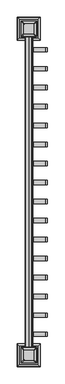
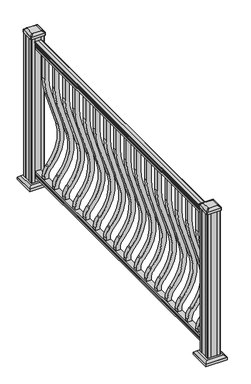
"""IFC4 building model written with IfcOpenShell, lengths in millimetres: railing geometry."""

from ifc_helpers import new_model, si_unit, point, frame, frame_2d, origin, origin_with_axes, place, context, project, spatial, polyline, circle_curve, trimmed, segment, composite_curve, outline, extrude, faceted_brep, source, transform, mapped, element, save
from ifc_brep_helpers import plane_surface, extruded_surface, advanced_brep


def railing_27f725b7(model_context):
    return source(origin(), model_context, "Body", "SolidModel", [
        extrude(outline(composite_curve([segment(polyline([(938.4043297, -401.8210301), (940.292412, -401.8210301)]), True, "CONTINUOUS"), segment(trimmed(circle_curve(frame_2d((946.0506383, -408.1357833)), 8.545951), [point((940.292412, -401.8210301))], [point((941.8546695, -400.6908438))], False, "CARTESIAN"), True, "CONTINUOUS"), segment(trimmed(circle_curve(frame_2d((945.4636577, -407.6987204)), 7.882584), [point((941.8546695, -400.6908438))], [point((949.0726458, -400.6908438))], False, "CARTESIAN"), True, "CONTINUOUS"), segment(trimmed(circle_curve(frame_2d((951.3112527, -397.1853963)), 4.1592695), [point((949.0726458, -400.6908438))], [point((951.5060812, -401.3401002))], True, "CARTESIAN"), True, "CONTINUOUS"), segment(trimmed(circle_curve(frame_2d((951.2508864, -395.8980897)), 5.4479907), [point((951.5060812, -401.3401002))], [point((955.8362083, -398.8401002))], True, "CARTESIAN"), True, "CONTINUOUS"), segment(trimmed(circle_curve(frame_2d((955.833395, -397.1312481)), 1.7088543), [point((955.8362083, -398.8401002))], [point((957.5157972, -397.4307577))], True, "CARTESIAN"), True, "CONTINUOUS"), segment(trimmed(circle_curve(frame_2d((958.6205318, -398.7481482)), 1.7192895), [point((957.5157972, -397.4307577))], [point((958.6205318, -397.0288587))], False, "CARTESIAN"), True, "CONTINUOUS"), segment(polyline([(958.6205318, -397.0288587), (959.9608158, -397.0288588)]), True, "CONTINUOUS"), segment(trimmed(circle_curve(frame_2d((959.9608158, -398.582306)), 1.5534472), [point((959.9608158, -397.0288588))], [point((961.514263, -398.582306))], False, "CARTESIAN"), True, "CONTINUOUS"), segment(polyline([(961.514263, -398.582306), (961.514263, -419.2538588), (961.514263, -439.9254116)]), True, "CONTINUOUS"), segment(trimmed(circle_curve(frame_2d((959.9608158, -439.9254116)), 1.5534472), [point((961.514263, -439.9254116))], [point((959.9608158, -441.4788588))], False, "CARTESIAN"), True, "CONTINUOUS"), segment(polyline([(959.9608158, -441.4788588), (958.6205318, -441.4788588)]), True, "CONTINUOUS"), segment(trimmed(circle_curve(frame_2d((958.6205318, -439.7595694)), 1.7192895), [point((958.6205318, -441.4788588))], [point((957.5157972, -441.0769599))], False, "CARTESIAN"), True, "CONTINUOUS"), segment(trimmed(circle_curve(frame_2d((955.833395, -441.3764695)), 1.7088543), [point((957.5157972, -441.0769599))], [point((955.8362083, -439.6676174))], True, "CARTESIAN"), True, "CONTINUOUS"), segment(trimmed(circle_curve(frame_2d((951.2508864, -442.6096279)), 5.4479907), [point((955.8362083, -439.6676174))], [point((951.5060812, -437.1676174))], True, "CARTESIAN"), True, "CONTINUOUS"), segment(trimmed(circle_curve(frame_2d((951.3112527, -441.3223214)), 4.1592695), [point((951.5060812, -437.1676174))], [point((949.0726458, -437.8168738))], True, "CARTESIAN"), True, "CONTINUOUS"), segment(trimmed(circle_curve(frame_2d((945.4636577, -430.8089972)), 7.882584), [point((949.0726458, -437.8168738))], [point((941.8546695, -437.8168738))], False, "CARTESIAN"), True, "CONTINUOUS"), segment(trimmed(circle_curve(frame_2d((946.0506383, -430.3719343)), 8.545951), [point((941.8546695, -437.8168738))], [point((940.292412, -436.6866875))], False, "CARTESIAN"), True, "CONTINUOUS"), segment(polyline([(940.292412, -436.6866875), (938.4043297, -436.6866875)]), True, "CONTINUOUS"), segment(trimmed(circle_curve(frame_2d((938.4043297, -435.3997732)), 1.2869144), [point((938.4043297, -436.6866875))], [point((938.4043297, -434.1128588))], False, "CARTESIAN"), True, "CONTINUOUS"), segment(polyline([(938.4043297, -434.1128588), (927.9048283, -434.1128588), (926.8888283, -435.1288588), (914.4, -435.1288588), (914.4, -403.3788588), (926.731013, -403.3788588), (927.747013, -404.3948588), (938.4043297, -404.3948588)]), True, "CONTINUOUS"), segment(trimmed(circle_curve(frame_2d((938.4043297, -403.1079444)), 1.2869144), [point((938.4043297, -404.3948588))], [point((938.4043297, -401.8210301))], False, "CARTESIAN"), True, "CONTINUOUS")], self_intersect=False)), frame((0.0, -43354.2786705, 0.0), z_axis=(0.0, 1.0, 0.0), x_axis=(0.0, 0.0, 1.0)), (0.0, 0.0, 1.0), 1828.8),
        extrude(outline(polyline([(76.0541976, -403.3413719), (77.3546183, -404.3573719), (87.7141717, -404.3573719), (89.0624492, -403.3413719), (101.5958781, -403.3413719), (101.5958781, -435.0913719), (89.0458024, -435.0913719), (87.6975248, -434.0753719), (77.3858283, -434.0753719), (76.0375508, -435.0913719), (63.5, -435.0913719), (63.5, -403.3413719), (76.0541976, -403.3413719)])), frame((0.0, -43354.2786705, 0.0), z_axis=(0.0, 1.0, 0.0), x_axis=(0.0, 0.0, 1.0)), (0.0, 0.0, 1.0), 1828.8),
        extrude(outline(composite_curve([segment(polyline([(768.63216, -406.5538588), (914.4, -406.5538588), (914.4, -431.9538588), (768.63216, -431.9538588)]), True, "CONTINUOUS"), segment(trimmed(circle_curve(frame_2d((768.63216, -59.2538588)), 372.7), [point((768.63216, -431.9538588))], [point((659.6652257, -415.6686413))], False, "CARTESIAN"), True, "CONTINUOUS"), segment(polyline([(659.6652257, -415.6686413), (437.8121964, -347.8413635)]), True, "CONTINUOUS"), segment(trimmed(circle_curve(frame_2d((359.6612397, -603.4616248)), 267.3), [point((437.8121964, -347.8413635))], [point((181.5522516, -404.146602))], True, "CARTESIAN"), True, "CONTINUOUS"), segment(polyline([(181.5522516, -404.146602), (175.3955374, -409.6482752)]), True, "CONTINUOUS"), segment(trimmed(circle_curve(frame_2d((116.9587313, -344.2538588)), 87.7), [point((175.3955374, -409.6482752))], [point((116.9587313, -431.9538588))], False, "CARTESIAN"), True, "CONTINUOUS"), segment(polyline([(116.9587313, -431.9538588), (101.5958781, -431.9538588), (101.5958781, -406.5538588), (116.9587313, -406.5538588)]), True, "CONTINUOUS"), segment(trimmed(circle_curve(frame_2d((116.9587313, -344.2538588)), 62.3), [point((116.9587313, -406.5538588))], [point((158.4708524, -390.7085012))], True, "CARTESIAN"), True, "CONTINUOUS"), segment(polyline([(158.4708524, -390.7085012), (164.6275666, -385.206828)]), True, "CONTINUOUS"), segment(trimmed(circle_curve(frame_2d((359.6612397, -603.4616248)), 292.7), [point((164.6275666, -385.206828))], [point((445.2384377, -323.5512227))], False, "CARTESIAN"), True, "CONTINUOUS"), segment(polyline([(445.2384377, -323.5512227), (667.091467, -391.3785005)]), True, "CONTINUOUS"), segment(trimmed(circle_curve(frame_2d((768.63216, -59.2538588)), 347.3), [point((667.091467, -391.3785005))], [point((768.63216, -406.5538588))], True, "CARTESIAN"), True, "CONTINUOUS")], self_intersect=False)), frame((0.0, -41619.1411705, 0.0), z_axis=(0.0, 1.0, 0.0), x_axis=(0.0, 0.0, 1.0)), (0.0, 0.0, 1.0), 25.4),
        extrude(outline(composite_curve([segment(polyline([(768.63216, -406.5538588), (914.4, -406.5538588), (914.4, -431.9538588), (768.63216, -431.9538588)]), True, "CONTINUOUS"), segment(trimmed(circle_curve(frame_2d((768.63216, -59.2538588)), 372.7), [point((768.63216, -431.9538588))], [point((659.6652257, -415.6686413))], False, "CARTESIAN"), True, "CONTINUOUS"), segment(polyline([(659.6652257, -415.6686413), (437.8121964, -347.8413635)]), True, "CONTINUOUS"), segment(trimmed(circle_curve(frame_2d((359.6612397, -603.4616248)), 267.3), [point((437.8121964, -347.8413635))], [point((181.5522516, -404.146602))], True, "CARTESIAN"), True, "CONTINUOUS"), segment(polyline([(181.5522516, -404.146602), (175.3955374, -409.6482752)]), True, "CONTINUOUS"), segment(trimmed(circle_curve(frame_2d((116.9587313, -344.2538588)), 87.7), [point((175.3955374, -409.6482752))], [point((116.9587313, -431.9538588))], False, "CARTESIAN"), True, "CONTINUOUS"), segment(polyline([(116.9587313, -431.9538588), (101.5958781, -431.9538588), (101.5958781, -406.5538588), (116.9587313, -406.5538588)]), True, "CONTINUOUS"), segment(trimmed(circle_curve(frame_2d((116.9587313, -344.2538588)), 62.3), [point((116.9587313, -406.5538588))], [point((158.4708524, -390.7085012))], True, "CARTESIAN"), True, "CONTINUOUS"), segment(polyline([(158.4708524, -390.7085012), (164.6275666, -385.206828)]), True, "CONTINUOUS"), segment(trimmed(circle_curve(frame_2d((359.6612397, -603.4616248)), 292.7), [point((164.6275666, -385.206828))], [point((445.2384377, -323.5512227))], False, "CARTESIAN"), True, "CONTINUOUS"), segment(polyline([(445.2384377, -323.5512227), (667.091467, -391.3785005)]), True, "CONTINUOUS"), segment(trimmed(circle_curve(frame_2d((768.63216, -59.2538588)), 347.3), [point((667.091467, -391.3785005))], [point((768.63216, -406.5538588))], True, "CARTESIAN"), True, "CONTINUOUS")], self_intersect=False)), frame((0.0, -41730.2661705, 0.0), z_axis=(0.0, 1.0, 0.0), x_axis=(0.0, 0.0, 1.0)), (0.0, 0.0, 1.0), 25.4),
        extrude(outline(composite_curve([segment(polyline([(768.63216, -406.5538588), (914.4, -406.5538588), (914.4, -431.9538588), (768.63216, -431.9538588)]), True, "CONTINUOUS"), segment(trimmed(circle_curve(frame_2d((768.63216, -59.2538588)), 372.7), [point((768.63216, -431.9538588))], [point((659.6652257, -415.6686413))], False, "CARTESIAN"), True, "CONTINUOUS"), segment(polyline([(659.6652257, -415.6686413), (437.8121964, -347.8413635)]), True, "CONTINUOUS"), segment(trimmed(circle_curve(frame_2d((359.6612397, -603.4616248)), 267.3), [point((437.8121964, -347.8413635))], [point((181.5522516, -404.146602))], True, "CARTESIAN"), True, "CONTINUOUS"), segment(polyline([(181.5522516, -404.146602), (175.3955374, -409.6482752)]), True, "CONTINUOUS"), segment(trimmed(circle_curve(frame_2d((116.9587313, -344.2538588)), 87.7), [point((175.3955374, -409.6482752))], [point((116.9587313, -431.9538588))], False, "CARTESIAN"), True, "CONTINUOUS"), segment(polyline([(116.9587313, -431.9538588), (101.5958781, -431.9538588), (101.5958781, -406.5538588), (116.9587313, -406.5538588)]), True, "CONTINUOUS"), segment(trimmed(circle_curve(frame_2d((116.9587313, -344.2538588)), 62.3), [point((116.9587313, -406.5538588))], [point((158.4708524, -390.7085012))], True, "CARTESIAN"), True, "CONTINUOUS"), segment(polyline([(158.4708524, -390.7085012), (164.6275666, -385.206828)]), True, "CONTINUOUS"), segment(trimmed(circle_curve(frame_2d((359.6612397, -603.4616248)), 292.7), [point((164.6275666, -385.206828))], [point((445.2384377, -323.5512227))], False, "CARTESIAN"), True, "CONTINUOUS"), segment(polyline([(445.2384377, -323.5512227), (667.091467, -391.3785005)]), True, "CONTINUOUS"), segment(trimmed(circle_curve(frame_2d((768.63216, -59.2538588)), 347.3), [point((667.091467, -391.3785005))], [point((768.63216, -406.5538588))], True, "CARTESIAN"), True, "CONTINUOUS")], self_intersect=False)), frame((0.0, -41841.3911705, 0.0), z_axis=(0.0, 1.0, 0.0), x_axis=(0.0, 0.0, 1.0)), (0.0, 0.0, 1.0), 25.4),
        extrude(outline(composite_curve([segment(polyline([(768.63216, -406.5538588), (914.4, -406.5538588), (914.4, -431.9538588), (768.63216, -431.9538588)]), True, "CONTINUOUS"), segment(trimmed(circle_curve(frame_2d((768.63216, -59.2538588)), 372.7), [point((768.63216, -431.9538588))], [point((659.6652257, -415.6686413))], False, "CARTESIAN"), True, "CONTINUOUS"), segment(polyline([(659.6652257, -415.6686413), (437.8121964, -347.8413635)]), True, "CONTINUOUS"), segment(trimmed(circle_curve(frame_2d((359.6612397, -603.4616248)), 267.3), [point((437.8121964, -347.8413635))], [point((181.5522516, -404.146602))], True, "CARTESIAN"), True, "CONTINUOUS"), segment(polyline([(181.5522516, -404.146602), (175.3955374, -409.6482752)]), True, "CONTINUOUS"), segment(trimmed(circle_curve(frame_2d((116.9587313, -344.2538588)), 87.7), [point((175.3955374, -409.6482752))], [point((116.9587313, -431.9538588))], False, "CARTESIAN"), True, "CONTINUOUS"), segment(polyline([(116.9587313, -431.9538588), (101.5958781, -431.9538588), (101.5958781, -406.5538588), (116.9587313, -406.5538588)]), True, "CONTINUOUS"), segment(trimmed(circle_curve(frame_2d((116.9587313, -344.2538588)), 62.3), [point((116.9587313, -406.5538588))], [point((158.4708524, -390.7085012))], True, "CARTESIAN"), True, "CONTINUOUS"), segment(polyline([(158.4708524, -390.7085012), (164.6275666, -385.206828)]), True, "CONTINUOUS"), segment(trimmed(circle_curve(frame_2d((359.6612397, -603.4616248)), 292.7), [point((164.6275666, -385.206828))], [point((445.2384377, -323.5512227))], False, "CARTESIAN"), True, "CONTINUOUS"), segment(polyline([(445.2384377, -323.5512227), (667.091467, -391.3785005)]), True, "CONTINUOUS"), segment(trimmed(circle_curve(frame_2d((768.63216, -59.2538588)), 347.3), [point((667.091467, -391.3785005))], [point((768.63216, -406.5538588))], True, "CARTESIAN"), True, "CONTINUOUS")], self_intersect=False)), frame((0.0, -41952.5161705, 0.0), z_axis=(0.0, 1.0, 0.0), x_axis=(0.0, 0.0, 1.0)), (0.0, 0.0, 1.0), 25.4),
        extrude(outline(composite_curve([segment(polyline([(768.63216, -406.5538588), (914.4, -406.5538588), (914.4, -431.9538588), (768.63216, -431.9538588)]), True, "CONTINUOUS"), segment(trimmed(circle_curve(frame_2d((768.63216, -59.2538588)), 372.7), [point((768.63216, -431.9538588))], [point((659.6652257, -415.6686413))], False, "CARTESIAN"), True, "CONTINUOUS"), segment(polyline([(659.6652257, -415.6686413), (437.8121964, -347.8413635)]), True, "CONTINUOUS"), segment(trimmed(circle_curve(frame_2d((359.6612397, -603.4616248)), 267.3), [point((437.8121964, -347.8413635))], [point((181.5522516, -404.146602))], True, "CARTESIAN"), True, "CONTINUOUS"), segment(polyline([(181.5522516, -404.146602), (175.3955374, -409.6482752)]), True, "CONTINUOUS"), segment(trimmed(circle_curve(frame_2d((116.9587313, -344.2538588)), 87.7), [point((175.3955374, -409.6482752))], [point((116.9587313, -431.9538588))], False, "CARTESIAN"), True, "CONTINUOUS"), segment(polyline([(116.9587313, -431.9538588), (101.5958781, -431.9538588), (101.5958781, -406.5538588), (116.9587313, -406.5538588)]), True, "CONTINUOUS"), segment(trimmed(circle_curve(frame_2d((116.9587313, -344.2538588)), 62.3), [point((116.9587313, -406.5538588))], [point((158.4708524, -390.7085012))], True, "CARTESIAN"), True, "CONTINUOUS"), segment(polyline([(158.4708524, -390.7085012), (164.6275666, -385.206828)]), True, "CONTINUOUS"), segment(trimmed(circle_curve(frame_2d((359.6612397, -603.4616248)), 292.7), [point((164.6275666, -385.206828))], [point((445.2384377, -323.5512227))], False, "CARTESIAN"), True, "CONTINUOUS"), segment(polyline([(445.2384377, -323.5512227), (667.091467, -391.3785005)]), True, "CONTINUOUS"), segment(trimmed(circle_curve(frame_2d((768.63216, -59.2538588)), 347.3), [point((667.091467, -391.3785005))], [point((768.63216, -406.5538588))], True, "CARTESIAN"), True, "CONTINUOUS")], self_intersect=False)), frame((0.0, -42063.6411705, 0.0), z_axis=(0.0, 1.0, 0.0), x_axis=(0.0, 0.0, 1.0)), (0.0, 0.0, 1.0), 25.4),
        extrude(outline(composite_curve([segment(polyline([(768.63216, -406.5538588), (914.4, -406.5538588), (914.4, -431.9538588), (768.63216, -431.9538588)]), True, "CONTINUOUS"), segment(trimmed(circle_curve(frame_2d((768.63216, -59.2538588)), 372.7), [point((768.63216, -431.9538588))], [point((659.6652257, -415.6686413))], False, "CARTESIAN"), True, "CONTINUOUS"), segment(polyline([(659.6652257, -415.6686413), (437.8121964, -347.8413635)]), True, "CONTINUOUS"), segment(trimmed(circle_curve(frame_2d((359.6612397, -603.4616248)), 267.3), [point((437.8121964, -347.8413635))], [point((181.5522516, -404.146602))], True, "CARTESIAN"), True, "CONTINUOUS"), segment(polyline([(181.5522516, -404.146602), (175.3955374, -409.6482752)]), True, "CONTINUOUS"), segment(trimmed(circle_curve(frame_2d((116.9587313, -344.2538588)), 87.7), [point((175.3955374, -409.6482752))], [point((116.9587313, -431.9538588))], False, "CARTESIAN"), True, "CONTINUOUS"), segment(polyline([(116.9587313, -431.9538588), (101.5958781, -431.9538588), (101.5958781, -406.5538588), (116.9587313, -406.5538588)]), True, "CONTINUOUS"), segment(trimmed(circle_curve(frame_2d((116.9587313, -344.2538588)), 62.3), [point((116.9587313, -406.5538588))], [point((158.4708524, -390.7085012))], True, "CARTESIAN"), True, "CONTINUOUS"), segment(polyline([(158.4708524, -390.7085012), (164.6275666, -385.206828)]), True, "CONTINUOUS"), segment(trimmed(circle_curve(frame_2d((359.6612397, -603.4616248)), 292.7), [point((164.6275666, -385.206828))], [point((445.2384377, -323.5512227))], False, "CARTESIAN"), True, "CONTINUOUS"), segment(polyline([(445.2384377, -323.5512227), (667.091467, -391.3785005)]), True, "CONTINUOUS"), segment(trimmed(circle_curve(frame_2d((768.63216, -59.2538588)), 347.3), [point((667.091467, -391.3785005))], [point((768.63216, -406.5538588))], True, "CARTESIAN"), True, "CONTINUOUS")], self_intersect=False)), frame((0.0, -42174.7661705, 0.0), z_axis=(0.0, 1.0, 0.0), x_axis=(0.0, 0.0, 1.0)), (0.0, 0.0, 1.0), 25.4),
        extrude(outline(composite_curve([segment(polyline([(768.63216, -406.5538588), (914.4, -406.5538588), (914.4, -431.9538588), (768.63216, -431.9538588)]), True, "CONTINUOUS"), segment(trimmed(circle_curve(frame_2d((768.63216, -59.2538588)), 372.7), [point((768.63216, -431.9538588))], [point((659.6652257, -415.6686413))], False, "CARTESIAN"), True, "CONTINUOUS"), segment(polyline([(659.6652257, -415.6686413), (437.8121964, -347.8413635)]), True, "CONTINUOUS"), segment(trimmed(circle_curve(frame_2d((359.6612397, -603.4616248)), 267.3), [point((437.8121964, -347.8413635))], [point((181.5522516, -404.146602))], True, "CARTESIAN"), True, "CONTINUOUS"), segment(polyline([(181.5522516, -404.146602), (175.3955374, -409.6482752)]), True, "CONTINUOUS"), segment(trimmed(circle_curve(frame_2d((116.9587313, -344.2538588)), 87.7), [point((175.3955374, -409.6482752))], [point((116.9587313, -431.9538588))], False, "CARTESIAN"), True, "CONTINUOUS"), segment(polyline([(116.9587313, -431.9538588), (101.5958781, -431.9538588), (101.5958781, -406.5538588), (116.9587313, -406.5538588)]), True, "CONTINUOUS"), segment(trimmed(circle_curve(frame_2d((116.9587313, -344.2538588)), 62.3), [point((116.9587313, -406.5538588))], [point((158.4708524, -390.7085012))], True, "CARTESIAN"), True, "CONTINUOUS"), segment(polyline([(158.4708524, -390.7085012), (164.6275666, -385.206828)]), True, "CONTINUOUS"), segment(trimmed(circle_curve(frame_2d((359.6612397, -603.4616248)), 292.7), [point((164.6275666, -385.206828))], [point((445.2384377, -323.5512227))], False, "CARTESIAN"), True, "CONTINUOUS"), segment(polyline([(445.2384377, -323.5512227), (667.091467, -391.3785005)]), True, "CONTINUOUS"), segment(trimmed(circle_curve(frame_2d((768.63216, -59.2538588)), 347.3), [point((667.091467, -391.3785005))], [point((768.63216, -406.5538588))], True, "CARTESIAN"), True, "CONTINUOUS")], self_intersect=False)), frame((0.0, -42285.8911705, 0.0), z_axis=(0.0, 1.0, 0.0), x_axis=(0.0, 0.0, 1.0)), (0.0, 0.0, 1.0), 25.4),
        extrude(outline(composite_curve([segment(polyline([(768.63216, -406.5538588), (914.4, -406.5538588), (914.4, -431.9538588), (768.63216, -431.9538588)]), True, "CONTINUOUS"), segment(trimmed(circle_curve(frame_2d((768.63216, -59.2538588)), 372.7), [point((768.63216, -431.9538588))], [point((659.6652257, -415.6686413))], False, "CARTESIAN"), True, "CONTINUOUS"), segment(polyline([(659.6652257, -415.6686413), (437.8121964, -347.8413635)]), True, "CONTINUOUS"), segment(trimmed(circle_curve(frame_2d((359.6612397, -603.4616248)), 267.3), [point((437.8121964, -347.8413635))], [point((181.5522516, -404.146602))], True, "CARTESIAN"), True, "CONTINUOUS"), segment(polyline([(181.5522516, -404.146602), (175.3955374, -409.6482752)]), True, "CONTINUOUS"), segment(trimmed(circle_curve(frame_2d((116.9587313, -344.2538588)), 87.7), [point((175.3955374, -409.6482752))], [point((116.9587313, -431.9538588))], False, "CARTESIAN"), True, "CONTINUOUS"), segment(polyline([(116.9587313, -431.9538588), (101.5958781, -431.9538588), (101.5958781, -406.5538588), (116.9587313, -406.5538588)]), True, "CONTINUOUS"), segment(trimmed(circle_curve(frame_2d((116.9587313, -344.2538588)), 62.3), [point((116.9587313, -406.5538588))], [point((158.4708524, -390.7085012))], True, "CARTESIAN"), True, "CONTINUOUS"), segment(polyline([(158.4708524, -390.7085012), (164.6275666, -385.206828)]), True, "CONTINUOUS"), segment(trimmed(circle_curve(frame_2d((359.6612397, -603.4616248)), 292.7), [point((164.6275666, -385.206828))], [point((445.2384377, -323.5512227))], False, "CARTESIAN"), True, "CONTINUOUS"), segment(polyline([(445.2384377, -323.5512227), (667.091467, -391.3785005)]), True, "CONTINUOUS"), segment(trimmed(circle_curve(frame_2d((768.63216, -59.2538588)), 347.3), [point((667.091467, -391.3785005))], [point((768.63216, -406.5538588))], True, "CARTESIAN"), True, "CONTINUOUS")], self_intersect=False)), frame((0.0, -42397.0161705, 0.0), z_axis=(0.0, 1.0, 0.0), x_axis=(0.0, 0.0, 1.0)), (0.0, 0.0, 1.0), 25.4),
        extrude(outline(composite_curve([segment(polyline([(768.63216, -406.5538588), (914.4, -406.5538588), (914.4, -431.9538588), (768.63216, -431.9538588)]), True, "CONTINUOUS"), segment(trimmed(circle_curve(frame_2d((768.63216, -59.2538588)), 372.7), [point((768.63216, -431.9538588))], [point((659.6652257, -415.6686413))], False, "CARTESIAN"), True, "CONTINUOUS"), segment(polyline([(659.6652257, -415.6686413), (437.8121964, -347.8413635)]), True, "CONTINUOUS"), segment(trimmed(circle_curve(frame_2d((359.6612397, -603.4616248)), 267.3), [point((437.8121964, -347.8413635))], [point((181.5522516, -404.146602))], True, "CARTESIAN"), True, "CONTINUOUS"), segment(polyline([(181.5522516, -404.146602), (175.3955374, -409.6482752)]), True, "CONTINUOUS"), segment(trimmed(circle_curve(frame_2d((116.9587313, -344.2538588)), 87.7), [point((175.3955374, -409.6482752))], [point((116.9587313, -431.9538588))], False, "CARTESIAN"), True, "CONTINUOUS"), segment(polyline([(116.9587313, -431.9538588), (101.5958781, -431.9538588), (101.5958781, -406.5538588), (116.9587313, -406.5538588)]), True, "CONTINUOUS"), segment(trimmed(circle_curve(frame_2d((116.9587313, -344.2538588)), 62.3), [point((116.9587313, -406.5538588))], [point((158.4708524, -390.7085012))], True, "CARTESIAN"), True, "CONTINUOUS"), segment(polyline([(158.4708524, -390.7085012), (164.6275666, -385.206828)]), True, "CONTINUOUS"), segment(trimmed(circle_curve(frame_2d((359.6612397, -603.4616248)), 292.7), [point((164.6275666, -385.206828))], [point((445.2384377, -323.5512227))], False, "CARTESIAN"), True, "CONTINUOUS"), segment(polyline([(445.2384377, -323.5512227), (667.091467, -391.3785005)]), True, "CONTINUOUS"), segment(trimmed(circle_curve(frame_2d((768.63216, -59.2538588)), 347.3), [point((667.091467, -391.3785005))], [point((768.63216, -406.5538588))], True, "CARTESIAN"), True, "CONTINUOUS")], self_intersect=False)), frame((0.0, -42508.1411705, 0.0), z_axis=(0.0, 1.0, 0.0), x_axis=(0.0, 0.0, 1.0)), (0.0, 0.0, 1.0), 25.4),
        extrude(outline(composite_curve([segment(polyline([(768.63216, -406.5538588), (914.4, -406.5538588), (914.4, -431.9538588), (768.63216, -431.9538588)]), True, "CONTINUOUS"), segment(trimmed(circle_curve(frame_2d((768.63216, -59.2538588)), 372.7), [point((768.63216, -431.9538588))], [point((659.6652257, -415.6686413))], False, "CARTESIAN"), True, "CONTINUOUS"), segment(polyline([(659.6652257, -415.6686413), (437.8121964, -347.8413635)]), True, "CONTINUOUS"), segment(trimmed(circle_curve(frame_2d((359.6612397, -603.4616248)), 267.3), [point((437.8121964, -347.8413635))], [point((181.5522516, -404.146602))], True, "CARTESIAN"), True, "CONTINUOUS"), segment(polyline([(181.5522516, -404.146602), (175.3955374, -409.6482752)]), True, "CONTINUOUS"), segment(trimmed(circle_curve(frame_2d((116.9587313, -344.2538588)), 87.7), [point((175.3955374, -409.6482752))], [point((116.9587313, -431.9538588))], False, "CARTESIAN"), True, "CONTINUOUS"), segment(polyline([(116.9587313, -431.9538588), (101.5958781, -431.9538588), (101.5958781, -406.5538588), (116.9587313, -406.5538588)]), True, "CONTINUOUS"), segment(trimmed(circle_curve(frame_2d((116.9587313, -344.2538588)), 62.3), [point((116.9587313, -406.5538588))], [point((158.4708524, -390.7085012))], True, "CARTESIAN"), True, "CONTINUOUS"), segment(polyline([(158.4708524, -390.7085012), (164.6275666, -385.206828)]), True, "CONTINUOUS"), segment(trimmed(circle_curve(frame_2d((359.6612397, -603.4616248)), 292.7), [point((164.6275666, -385.206828))], [point((445.2384377, -323.5512227))], False, "CARTESIAN"), True, "CONTINUOUS"), segment(polyline([(445.2384377, -323.5512227), (667.091467, -391.3785005)]), True, "CONTINUOUS"), segment(trimmed(circle_curve(frame_2d((768.63216, -59.2538588)), 347.3), [point((667.091467, -391.3785005))], [point((768.63216, -406.5538588))], True, "CARTESIAN"), True, "CONTINUOUS")], self_intersect=False)), frame((0.0, -42619.2661705, 0.0), z_axis=(0.0, 1.0, 0.0), x_axis=(0.0, 0.0, 1.0)), (0.0, 0.0, 1.0), 25.4),
        extrude(outline(composite_curve([segment(polyline([(768.63216, -406.5538588), (914.4, -406.5538588), (914.4, -431.9538588), (768.63216, -431.9538588)]), True, "CONTINUOUS"), segment(trimmed(circle_curve(frame_2d((768.63216, -59.2538588)), 372.7), [point((768.63216, -431.9538588))], [point((659.6652257, -415.6686413))], False, "CARTESIAN"), True, "CONTINUOUS"), segment(polyline([(659.6652257, -415.6686413), (437.8121964, -347.8413635)]), True, "CONTINUOUS"), segment(trimmed(circle_curve(frame_2d((359.6612397, -603.4616248)), 267.3), [point((437.8121964, -347.8413635))], [point((181.5522516, -404.146602))], True, "CARTESIAN"), True, "CONTINUOUS"), segment(polyline([(181.5522516, -404.146602), (175.3955374, -409.6482752)]), True, "CONTINUOUS"), segment(trimmed(circle_curve(frame_2d((116.9587313, -344.2538588)), 87.7), [point((175.3955374, -409.6482752))], [point((116.9587313, -431.9538588))], False, "CARTESIAN"), True, "CONTINUOUS"), segment(polyline([(116.9587313, -431.9538588), (101.5958781, -431.9538588), (101.5958781, -406.5538588), (116.9587313, -406.5538588)]), True, "CONTINUOUS"), segment(trimmed(circle_curve(frame_2d((116.9587313, -344.2538588)), 62.3), [point((116.9587313, -406.5538588))], [point((158.4708524, -390.7085012))], True, "CARTESIAN"), True, "CONTINUOUS"), segment(polyline([(158.4708524, -390.7085012), (164.6275666, -385.206828)]), True, "CONTINUOUS"), segment(trimmed(circle_curve(frame_2d((359.6612397, -603.4616248)), 292.7), [point((164.6275666, -385.206828))], [point((445.2384377, -323.5512227))], False, "CARTESIAN"), True, "CONTINUOUS"), segment(polyline([(445.2384377, -323.5512227), (667.091467, -391.3785005)]), True, "CONTINUOUS"), segment(trimmed(circle_curve(frame_2d((768.63216, -59.2538588)), 347.3), [point((667.091467, -391.3785005))], [point((768.63216, -406.5538588))], True, "CARTESIAN"), True, "CONTINUOUS")], self_intersect=False)), frame((0.0, -42730.3911705, 0.0), z_axis=(0.0, 1.0, 0.0), x_axis=(0.0, 0.0, 1.0)), (0.0, 0.0, 1.0), 25.4),
        extrude(outline(composite_curve([segment(polyline([(768.63216, -406.5538588), (914.4, -406.5538588), (914.4, -431.9538588), (768.63216, -431.9538588)]), True, "CONTINUOUS"), segment(trimmed(circle_curve(frame_2d((768.63216, -59.2538588)), 372.7), [point((768.63216, -431.9538588))], [point((659.6652257, -415.6686413))], False, "CARTESIAN"), True, "CONTINUOUS"), segment(polyline([(659.6652257, -415.6686413), (437.8121964, -347.8413635)]), True, "CONTINUOUS"), segment(trimmed(circle_curve(frame_2d((359.6612397, -603.4616248)), 267.3), [point((437.8121964, -347.8413635))], [point((181.5522516, -404.146602))], True, "CARTESIAN"), True, "CONTINUOUS"), segment(polyline([(181.5522516, -404.146602), (175.3955374, -409.6482752)]), True, "CONTINUOUS"), segment(trimmed(circle_curve(frame_2d((116.9587313, -344.2538588)), 87.7), [point((175.3955374, -409.6482752))], [point((116.9587313, -431.9538588))], False, "CARTESIAN"), True, "CONTINUOUS"), segment(polyline([(116.9587313, -431.9538588), (101.5958781, -431.9538588), (101.5958781, -406.5538588), (116.9587313, -406.5538588)]), True, "CONTINUOUS"), segment(trimmed(circle_curve(frame_2d((116.9587313, -344.2538588)), 62.3), [point((116.9587313, -406.5538588))], [point((158.4708524, -390.7085012))], True, "CARTESIAN"), True, "CONTINUOUS"), segment(polyline([(158.4708524, -390.7085012), (164.6275666, -385.206828)]), True, "CONTINUOUS"), segment(trimmed(circle_curve(frame_2d((359.6612397, -603.4616248)), 292.7), [point((164.6275666, -385.206828))], [point((445.2384377, -323.5512227))], False, "CARTESIAN"), True, "CONTINUOUS"), segment(polyline([(445.2384377, -323.5512227), (667.091467, -391.3785005)]), True, "CONTINUOUS"), segment(trimmed(circle_curve(frame_2d((768.63216, -59.2538588)), 347.3), [point((667.091467, -391.3785005))], [point((768.63216, -406.5538588))], True, "CARTESIAN"), True, "CONTINUOUS")], self_intersect=False)), frame((0.0, -42841.5161705, 0.0), z_axis=(0.0, 1.0, 0.0), x_axis=(0.0, 0.0, 1.0)), (0.0, 0.0, 1.0), 25.4),
        extrude(outline(composite_curve([segment(polyline([(768.63216, -406.5538588), (914.4, -406.5538588), (914.4, -431.9538588), (768.63216, -431.9538588)]), True, "CONTINUOUS"), segment(trimmed(circle_curve(frame_2d((768.63216, -59.2538588)), 372.7), [point((768.63216, -431.9538588))], [point((659.6652257, -415.6686413))], False, "CARTESIAN"), True, "CONTINUOUS"), segment(polyline([(659.6652257, -415.6686413), (437.8121964, -347.8413635)]), True, "CONTINUOUS"), segment(trimmed(circle_curve(frame_2d((359.6612397, -603.4616248)), 267.3), [point((437.8121964, -347.8413635))], [point((181.5522516, -404.146602))], True, "CARTESIAN"), True, "CONTINUOUS"), segment(polyline([(181.5522516, -404.146602), (175.3955374, -409.6482752)]), True, "CONTINUOUS"), segment(trimmed(circle_curve(frame_2d((116.9587313, -344.2538588)), 87.7), [point((175.3955374, -409.6482752))], [point((116.9587313, -431.9538588))], False, "CARTESIAN"), True, "CONTINUOUS"), segment(polyline([(116.9587313, -431.9538588), (101.5958781, -431.9538588), (101.5958781, -406.5538588), (116.9587313, -406.5538588)]), True, "CONTINUOUS"), segment(trimmed(circle_curve(frame_2d((116.9587313, -344.2538588)), 62.3), [point((116.9587313, -406.5538588))], [point((158.4708524, -390.7085012))], True, "CARTESIAN"), True, "CONTINUOUS"), segment(polyline([(158.4708524, -390.7085012), (164.6275666, -385.206828)]), True, "CONTINUOUS"), segment(trimmed(circle_curve(frame_2d((359.6612397, -603.4616248)), 292.7), [point((164.6275666, -385.206828))], [point((445.2384377, -323.5512227))], False, "CARTESIAN"), True, "CONTINUOUS"), segment(polyline([(445.2384377, -323.5512227), (667.091467, -391.3785005)]), True, "CONTINUOUS"), segment(trimmed(circle_curve(frame_2d((768.63216, -59.2538588)), 347.3), [point((667.091467, -391.3785005))], [point((768.63216, -406.5538588))], True, "CARTESIAN"), True, "CONTINUOUS")], self_intersect=False)), frame((0.0, -42952.6411705, 0.0), z_axis=(0.0, 1.0, 0.0), x_axis=(0.0, 0.0, 1.0)), (0.0, 0.0, 1.0), 25.4),
        extrude(outline(composite_curve([segment(polyline([(768.63216, -406.5538588), (914.4, -406.5538588), (914.4, -431.9538588), (768.63216, -431.9538588)]), True, "CONTINUOUS"), segment(trimmed(circle_curve(frame_2d((768.63216, -59.2538588)), 372.7), [point((768.63216, -431.9538588))], [point((659.6652257, -415.6686413))], False, "CARTESIAN"), True, "CONTINUOUS"), segment(polyline([(659.6652257, -415.6686413), (437.8121964, -347.8413635)]), True, "CONTINUOUS"), segment(trimmed(circle_curve(frame_2d((359.6612397, -603.4616248)), 267.3), [point((437.8121964, -347.8413635))], [point((181.5522516, -404.146602))], True, "CARTESIAN"), True, "CONTINUOUS"), segment(polyline([(181.5522516, -404.146602), (175.3955374, -409.6482752)]), True, "CONTINUOUS"), segment(trimmed(circle_curve(frame_2d((116.9587313, -344.2538588)), 87.7), [point((175.3955374, -409.6482752))], [point((116.9587313, -431.9538588))], False, "CARTESIAN"), True, "CONTINUOUS"), segment(polyline([(116.9587313, -431.9538588), (101.5958781, -431.9538588), (101.5958781, -406.5538588), (116.9587313, -406.5538588)]), True, "CONTINUOUS"), segment(trimmed(circle_curve(frame_2d((116.9587313, -344.2538588)), 62.3), [point((116.9587313, -406.5538588))], [point((158.4708524, -390.7085012))], True, "CARTESIAN"), True, "CONTINUOUS"), segment(polyline([(158.4708524, -390.7085012), (164.6275666, -385.206828)]), True, "CONTINUOUS"), segment(trimmed(circle_curve(frame_2d((359.6612397, -603.4616248)), 292.7), [point((164.6275666, -385.206828))], [point((445.2384377, -323.5512227))], False, "CARTESIAN"), True, "CONTINUOUS"), segment(polyline([(445.2384377, -323.5512227), (667.091467, -391.3785005)]), True, "CONTINUOUS"), segment(trimmed(circle_curve(frame_2d((768.63216, -59.2538588)), 347.3), [point((667.091467, -391.3785005))], [point((768.63216, -406.5538588))], True, "CARTESIAN"), True, "CONTINUOUS")], self_intersect=False)), frame((0.0, -43063.7661705, 0.0), z_axis=(0.0, 1.0, 0.0), x_axis=(0.0, 0.0, 1.0)), (0.0, 0.0, 1.0), 25.4),
        extrude(outline(composite_curve([segment(polyline([(768.63216, -406.5538588), (914.4, -406.5538588), (914.4, -431.9538588), (768.63216, -431.9538588)]), True, "CONTINUOUS"), segment(trimmed(circle_curve(frame_2d((768.63216, -59.2538588)), 372.7), [point((768.63216, -431.9538588))], [point((659.6652257, -415.6686413))], False, "CARTESIAN"), True, "CONTINUOUS"), segment(polyline([(659.6652257, -415.6686413), (437.8121964, -347.8413635)]), True, "CONTINUOUS"), segment(trimmed(circle_curve(frame_2d((359.6612397, -603.4616248)), 267.3), [point((437.8121964, -347.8413635))], [point((181.5522516, -404.146602))], True, "CARTESIAN"), True, "CONTINUOUS"), segment(polyline([(181.5522516, -404.146602), (175.3955374, -409.6482752)]), True, "CONTINUOUS"), segment(trimmed(circle_curve(frame_2d((116.9587313, -344.2538588)), 87.7), [point((175.3955374, -409.6482752))], [point((116.9587313, -431.9538588))], False, "CARTESIAN"), True, "CONTINUOUS"), segment(polyline([(116.9587313, -431.9538588), (101.5958781, -431.9538588), (101.5958781, -406.5538588), (116.9587313, -406.5538588)]), True, "CONTINUOUS"), segment(trimmed(circle_curve(frame_2d((116.9587313, -344.2538588)), 62.3), [point((116.9587313, -406.5538588))], [point((158.4708524, -390.7085012))], True, "CARTESIAN"), True, "CONTINUOUS"), segment(polyline([(158.4708524, -390.7085012), (164.6275666, -385.206828)]), True, "CONTINUOUS"), segment(trimmed(circle_curve(frame_2d((359.6612397, -603.4616248)), 292.7), [point((164.6275666, -385.206828))], [point((445.2384377, -323.5512227))], False, "CARTESIAN"), True, "CONTINUOUS"), segment(polyline([(445.2384377, -323.5512227), (667.091467, -391.3785005)]), True, "CONTINUOUS"), segment(trimmed(circle_curve(frame_2d((768.63216, -59.2538588)), 347.3), [point((667.091467, -391.3785005))], [point((768.63216, -406.5538588))], True, "CARTESIAN"), True, "CONTINUOUS")], self_intersect=False)), frame((0.0, -43174.8911705, 0.0), z_axis=(0.0, 1.0, 0.0), x_axis=(0.0, 0.0, 1.0)), (0.0, 0.0, 1.0), 25.4),
        extrude(outline(composite_curve([segment(polyline([(768.63216, -406.5538588), (914.4, -406.5538588), (914.4, -431.9538588), (768.63216, -431.9538588)]), True, "CONTINUOUS"), segment(trimmed(circle_curve(frame_2d((768.63216, -59.2538588)), 372.7), [point((768.63216, -431.9538588))], [point((659.6652257, -415.6686413))], False, "CARTESIAN"), True, "CONTINUOUS"), segment(polyline([(659.6652257, -415.6686413), (437.8121964, -347.8413635)]), True, "CONTINUOUS"), segment(trimmed(circle_curve(frame_2d((359.6612397, -603.4616248)), 267.3), [point((437.8121964, -347.8413635))], [point((181.5522516, -404.146602))], True, "CARTESIAN"), True, "CONTINUOUS"), segment(polyline([(181.5522516, -404.146602), (175.3955374, -409.6482752)]), True, "CONTINUOUS"), segment(trimmed(circle_curve(frame_2d((116.9587313, -344.2538588)), 87.7), [point((175.3955374, -409.6482752))], [point((116.9587313, -431.9538588))], False, "CARTESIAN"), True, "CONTINUOUS"), segment(polyline([(116.9587313, -431.9538588), (101.5958781, -431.9538588), (101.5958781, -406.5538588), (116.9587313, -406.5538588)]), True, "CONTINUOUS"), segment(trimmed(circle_curve(frame_2d((116.9587313, -344.2538588)), 62.3), [point((116.9587313, -406.5538588))], [point((158.4708524, -390.7085012))], True, "CARTESIAN"), True, "CONTINUOUS"), segment(polyline([(158.4708524, -390.7085012), (164.6275666, -385.206828)]), True, "CONTINUOUS"), segment(trimmed(circle_curve(frame_2d((359.6612397, -603.4616248)), 292.7), [point((164.6275666, -385.206828))], [point((445.2384377, -323.5512227))], False, "CARTESIAN"), True, "CONTINUOUS"), segment(polyline([(445.2384377, -323.5512227), (667.091467, -391.3785005)]), True, "CONTINUOUS"), segment(trimmed(circle_curve(frame_2d((768.63216, -59.2538588)), 347.3), [point((667.091467, -391.3785005))], [point((768.63216, -406.5538588))], True, "CARTESIAN"), True, "CONTINUOUS")], self_intersect=False)), frame((0.0, -43286.0161705, 0.0), z_axis=(0.0, 1.0, 0.0), x_axis=(0.0, 0.0, 1.0)), (0.0, 0.0, 1.0), 25.4),
        faceted_brep([(-366.6679213, -41536.789608, 28.575), (-366.6679213, -41431.617733, 28.575), (-471.8397963, -41431.617733, 28.575), (-471.8397963, -41536.789608, 28.575), (-352.6284682, -41550.8290611, 15.24), (-485.8792494, -41550.8290611, 15.24), (-485.8792494, -41417.5782798, 15.24), (-352.6284682, -41417.5782798, 15.24)], [[[0, 1, 2, 3]], [[4, 5, 6, 7]], [[4, 0, 3, 5]], [[5, 3, 2, 6]], [[6, 2, 1, 7]], [[7, 1, 0, 4]]]),
        extrude(outline(polyline([(-352.6284682, -41550.8290611), (-485.8792494, -41550.8290611), (-485.8792494, -41417.5782798), (-352.6284682, -41417.5782798), (-352.6284682, -41550.8290611)])), origin_with_axes(), (0.0, 0.0, 1.0), 15.24),
        advanced_brep(
        [(-445.0507338, -41513.1755455, 1012.825), (-393.4569838, -41513.1755455, 1012.825), (-390.2819838, -41510.0005455, 1012.825), (-390.2819838, -41458.4067955, 1012.825), (-393.4569838, -41455.2317955, 1012.825), (-445.0507338, -41455.2317955, 1012.825), (-448.2257338, -41458.4067955, 1012.825), (-448.2257338, -41510.0005455, 1012.825), (-461.3226088, -41529.4474205, 1001.522), (-464.4976088, -41526.2724205, 1001.522), (-464.4976088, -41442.1349205, 1001.522), (-461.3226088, -41438.9599205, 1001.522), (-377.1851088, -41438.9599205, 1001.522), (-374.0101088, -41442.1349205, 1001.522), (-374.0101088, -41526.2724205, 1001.522), (-377.1851088, -41529.4474205, 1001.522)],
        [
            (0, 1),
            (1, 2, circle_curve(frame((-393.4569838, -41510.0005455, 1012.825), z_axis=(0.0, 0.0, 1.0), x_axis=(0.0, 1.0, 0.0)), 3.175)),
            (2, 3),
            (3, 4, circle_curve(frame((-393.4569838, -41458.4067955, 1012.825), z_axis=(0.0, 0.0, 1.0), x_axis=(0.0, 1.0, 0.0)), 3.175)),
            (4, 5),
            (5, 6, circle_curve(frame((-445.0507338, -41458.4067955, 1012.825), z_axis=(0.0, 0.0, 1.0), x_axis=(0.0, 1.0, 0.0)), 3.175)),
            (6, 7),
            (7, 0, circle_curve(frame((-445.0507338, -41510.0005455, 1012.825), z_axis=(0.0, 0.0, 1.0), x_axis=(0.0, 1.0, 0.0)), 3.175)),
            (8, 9, circle_curve(frame((-461.3226088, -41526.2724205, 1001.522), z_axis=(0.0, 0.0, -1.0), x_axis=(0.0, 1.0, 0.0)), 3.175)),
            (9, 10),
            (10, 11, circle_curve(frame((-461.3226088, -41442.1349205, 1001.522), z_axis=(0.0, 0.0, -1.0), x_axis=(0.0, 1.0, 0.0)), 3.175)),
            (11, 12),
            (12, 13, circle_curve(frame((-377.1851088, -41442.1349205, 1001.522), z_axis=(0.0, 0.0, -1.0), x_axis=(0.0, 1.0, 0.0)), 3.175)),
            (13, 14),
            (14, 15, circle_curve(frame((-377.1851088, -41526.2724205, 1001.522), z_axis=(0.0, 0.0, -1.0), x_axis=(0.0, 1.0, 0.0)), 3.175)),
            (15, 8),
            (8, 0),
            (7, 9),
            (6, 10),
            (5, 11),
            (4, 12),
            (3, 13),
            (2, 14),
            (1, 15),
        ],
        [
            plane_surface(frame((-419.2538588, -41484.2036705, 1012.825), z_axis=(0.0, 0.0, 1.0), x_axis=(-1.0, 0.0, 0.0))),
            plane_surface(frame((-419.2538588, -41484.2036705, 1001.522), z_axis=(0.0, 0.0, -1.0), x_axis=(-1.0, 0.0, 0.0))),
            extruded_surface(trimmed(circle_curve(frame((-445.0507338, -41510.0005455, 1012.825), z_axis=(0.0, 0.0, -1.0), x_axis=(0.0, 1.0, 0.0)), 3.175), [point((-445.0507338, -41513.1755455, 1012.825))], [point((-448.2257338, -41510.0005455, 1012.825))], True, "CARTESIAN"), (-16.271875000000023, -16.271874999998545, -11.302999999999997), 25.637972638865254),
            plane_surface(frame((-464.4976088, -41484.2036705, 1001.522), z_axis=(-0.5705009161540779, 0.0, 0.8212969649690408), x_axis=(0.0, 1.0, 0.0))),
            extruded_surface(trimmed(circle_curve(frame((-445.0507338, -41458.4067955, 1012.825), z_axis=(0.0, 0.0, -1.0), x_axis=(0.0, 1.0, 0.0)), 3.175), [point((-448.2257338, -41458.4067955, 1012.825))], [point((-445.0507338, -41455.2317955, 1012.825))], True, "CARTESIAN"), (-16.271875000000023, 16.271874999998545, -11.302999999999997), 25.637972638865254),
            plane_surface(frame((-419.2538588, -41438.9599205, 1001.522), z_axis=(0.0, 0.5705009161540291, 0.8212969649690747), x_axis=(1.0, 0.0, 0.0))),
            extruded_surface(trimmed(circle_curve(frame((-393.4569838, -41458.4067955, 1012.825), z_axis=(0.0, 0.0, -1.0), x_axis=(0.0, 1.0, 0.0)), 3.175), [point((-393.4569838, -41455.2317955, 1012.825))], [point((-390.2819838, -41458.4067955, 1012.825))], True, "CARTESIAN"), (16.271874999999966, 16.271874999998545, -11.302999999999997), 25.637972638865218),
            plane_surface(frame((-374.0101088, -41484.2036705, 1001.522), z_axis=(0.5705009161540141, 0.0, 0.8212969649690851), x_axis=(0.0, -1.0, 0.0))),
            extruded_surface(trimmed(circle_curve(frame((-393.4569838, -41510.0005455, 1012.825), z_axis=(0.0, 0.0, -1.0), x_axis=(0.0, 1.0, 0.0)), 3.175), [point((-390.2819838, -41510.0005455, 1012.825))], [point((-393.4569838, -41513.1755455, 1012.825))], True, "CARTESIAN"), (16.271874999999966, -16.271874999998545, -11.302999999999997), 25.637972638865218),
            plane_surface(frame((-419.2538588, -41529.4474205, 1001.522), z_axis=(0.0, -0.570500916154034, 0.8212969649690713), x_axis=(-1.0, 0.0, 0.0))),
        ],
        [
            (0, [[1, 2, 3, 4, 5, 6, 7, 8]]),
            (1, [[9, 10, 11, 12, 13, 14, 15, 16]]),
            (2, [[17, -8, 18, -9]]),
            (3, [[-18, -7, 19, -10]]),
            (4, [[-19, -6, 20, -11]]),
            (5, [[-20, -5, 21, -12]]),
            (6, [[-21, -4, 22, -13]]),
            (7, [[-22, -3, 23, -14]]),
            (8, [[-23, -2, 24, -15]]),
            (9, [[-24, -1, -17, -16]]),
        ],
    ),
        extrude(outline(composite_curve([segment(trimmed(circle_curve(frame_2d((-461.3226088, -41526.2724205)), 3.175), [point((-461.3226088, -41529.4474205))], [point((-464.4976088, -41526.2724205))], False, "CARTESIAN"), True, "CONTINUOUS"), segment(polyline([(-464.4976088, -41526.2724205), (-464.4976088, -41442.1349205)]), True, "CONTINUOUS"), segment(trimmed(circle_curve(frame_2d((-461.3226088, -41442.1349205)), 3.175), [point((-464.4976088, -41442.1349205))], [point((-461.3226088, -41438.9599205))], False, "CARTESIAN"), True, "CONTINUOUS"), segment(polyline([(-461.3226088, -41438.9599205), (-377.1851088, -41438.9599205)]), True, "CONTINUOUS"), segment(trimmed(circle_curve(frame_2d((-377.1851088, -41442.1349205)), 3.175), [point((-377.1851088, -41438.9599205))], [point((-374.0101088, -41442.1349205))], False, "CARTESIAN"), True, "CONTINUOUS"), segment(polyline([(-374.0101088, -41442.1349205), (-374.0101088, -41526.2724205)]), True, "CONTINUOUS"), segment(trimmed(circle_curve(frame_2d((-377.1851088, -41526.2724205)), 3.175), [point((-374.0101088, -41526.2724205))], [point((-377.1851088, -41529.4474205))], False, "CARTESIAN"), True, "CONTINUOUS"), segment(polyline([(-377.1851088, -41529.4474205), (-461.3226088, -41529.4474205)]), True, "CONTINUOUS")], self_intersect=False)), frame((0.0, 0.0, 984.25), z_axis=(0.0, 0.0, 1.0), x_axis=(1.0, 0.0, 0.0)), (0.0, 0.0, 1.0), 17.272),
        extrude(outline(polyline([(-458.9413588, -41525.4786705), (-460.5288588, -41523.8911705), (-460.5288588, -41504.2696705), (-458.9413588, -41503.5076705), (-458.9413588, -41464.8996705), (-460.5288588, -41464.1376705), (-460.5288588, -41444.5161705), (-458.9413588, -41442.9286705), (-439.3198588, -41442.9286705), (-438.5578588, -41444.5161705), (-399.9498588, -41444.5161705), (-399.1878588, -41442.9286705), (-379.5663588, -41442.9286705), (-377.9788588, -41444.5161705), (-377.9788588, -41464.1376705), (-379.5663588, -41464.8996705), (-379.5663588, -41503.5076705), (-377.9788588, -41504.2696705), (-377.9788588, -41523.8911705), (-379.5663588, -41525.4786705), (-399.1878588, -41525.4786705), (-399.9498588, -41523.8911705), (-438.5578588, -41523.8911705), (-439.3198588, -41525.4786705), (-458.9413588, -41525.4786705)])), origin_with_axes(), (0.0, 0.0, 1.0), 984.25),
        faceted_brep([(-366.6679213, -43448.139608, 28.575), (-366.6679213, -43342.967733, 28.575), (-471.8397963, -43342.967733, 28.575), (-471.8397963, -43448.139608, 28.575), (-352.6284682, -43462.1790611, 15.24), (-485.8792494, -43462.1790611, 15.24), (-485.8792494, -43328.9282798, 15.24), (-352.6284682, -43328.9282798, 15.24)], [[[0, 1, 2, 3]], [[4, 5, 6, 7]], [[4, 0, 3, 5]], [[5, 3, 2, 6]], [[6, 2, 1, 7]], [[7, 1, 0, 4]]]),
        extrude(outline(polyline([(-352.6284682, -43462.1790611), (-485.8792494, -43462.1790611), (-485.8792494, -43328.9282798), (-352.6284682, -43328.9282798), (-352.6284682, -43462.1790611)])), origin_with_axes(), (0.0, 0.0, 1.0), 15.24),
        advanced_brep(
        [(-445.0507338, -43424.5255455, 1012.825), (-393.4569838, -43424.5255455, 1012.825), (-390.2819838, -43421.3505455, 1012.825), (-390.2819838, -43369.7567955, 1012.825), (-393.4569838, -43366.5817955, 1012.825), (-445.0507338, -43366.5817955, 1012.825), (-448.2257338, -43369.7567955, 1012.825), (-448.2257338, -43421.3505455, 1012.825), (-461.3226088, -43440.7974205, 1001.522), (-464.4976088, -43437.6224205, 1001.522), (-464.4976088, -43353.4849205, 1001.522), (-461.3226088, -43350.3099205, 1001.522), (-377.1851088, -43350.3099205, 1001.522), (-374.0101088, -43353.4849205, 1001.522), (-374.0101088, -43437.6224205, 1001.522), (-377.1851088, -43440.7974205, 1001.522)],
        [
            (0, 1),
            (1, 2, circle_curve(frame((-393.4569838, -43421.3505455, 1012.825), z_axis=(0.0, 0.0, 1.0), x_axis=(0.0, 1.0, 0.0)), 3.175)),
            (2, 3),
            (3, 4, circle_curve(frame((-393.4569838, -43369.7567955, 1012.825), z_axis=(0.0, 0.0, 1.0), x_axis=(0.0, 1.0, 0.0)), 3.175)),
            (4, 5),
            (5, 6, circle_curve(frame((-445.0507338, -43369.7567955, 1012.825), z_axis=(0.0, 0.0, 1.0), x_axis=(0.0, 1.0, 0.0)), 3.175)),
            (6, 7),
            (7, 0, circle_curve(frame((-445.0507338, -43421.3505455, 1012.825), z_axis=(0.0, 0.0, 1.0), x_axis=(0.0, 1.0, 0.0)), 3.175)),
            (8, 9, circle_curve(frame((-461.3226088, -43437.6224205, 1001.522), z_axis=(0.0, 0.0, -1.0), x_axis=(0.0, 1.0, 0.0)), 3.175)),
            (9, 10),
            (10, 11, circle_curve(frame((-461.3226088, -43353.4849205, 1001.522), z_axis=(0.0, 0.0, -1.0), x_axis=(0.0, 1.0, 0.0)), 3.175)),
            (11, 12),
            (12, 13, circle_curve(frame((-377.1851088, -43353.4849205, 1001.522), z_axis=(0.0, 0.0, -1.0), x_axis=(0.0, 1.0, 0.0)), 3.175)),
            (13, 14),
            (14, 15, circle_curve(frame((-377.1851088, -43437.6224205, 1001.522), z_axis=(0.0, 0.0, -1.0), x_axis=(0.0, 1.0, 0.0)), 3.175)),
            (15, 8),
            (8, 0),
            (7, 9),
            (6, 10),
            (5, 11),
            (4, 12),
            (3, 13),
            (2, 14),
            (1, 15),
        ],
        [
            plane_surface(frame((-419.2538588, -43395.5536705, 1012.825), z_axis=(0.0, 0.0, 1.0), x_axis=(-1.0, 0.0, 0.0))),
            plane_surface(frame((-419.2538588, -43395.5536705, 1001.522), z_axis=(0.0, 0.0, -1.0), x_axis=(-1.0, 0.0, 0.0))),
            extruded_surface(trimmed(circle_curve(frame((-445.0507338, -43421.3505455, 1012.825), z_axis=(0.0, 0.0, -1.0), x_axis=(0.0, 1.0, 0.0)), 3.175), [point((-445.0507338, -43424.5255455, 1012.825))], [point((-448.2257338, -43421.3505455, 1012.825))], True, "CARTESIAN"), (-16.271875000000023, -16.27187500000582, -11.302999999999997), 25.637972638869872),
            plane_surface(frame((-464.4976088, -43395.5536705, 1001.522), z_axis=(-0.5705009161540779, 0.0, 0.8212969649690408), x_axis=(0.0, 1.0, 0.0))),
            extruded_surface(trimmed(circle_curve(frame((-445.0507338, -43369.7567955, 1012.825), z_axis=(0.0, 0.0, -1.0), x_axis=(0.0, 1.0, 0.0)), 3.175), [point((-448.2257338, -43369.7567955, 1012.825))], [point((-445.0507338, -43366.5817955, 1012.825))], True, "CARTESIAN"), (-16.271875000000023, 16.271874999998545, -11.302999999999997), 25.637972638865254),
            plane_surface(frame((-419.2538588, -43350.3099205, 1001.522), z_axis=(0.0, 0.5705009161540291, 0.8212969649690747), x_axis=(1.0, 0.0, 0.0))),
            extruded_surface(trimmed(circle_curve(frame((-393.4569838, -43369.7567955, 1012.825), z_axis=(0.0, 0.0, -1.0), x_axis=(0.0, 1.0, 0.0)), 3.175), [point((-393.4569838, -43366.5817955, 1012.825))], [point((-390.2819838, -43369.7567955, 1012.825))], True, "CARTESIAN"), (16.271874999999966, 16.271874999998545, -11.302999999999997), 25.637972638865218),
            plane_surface(frame((-374.0101088, -43395.5536705, 1001.522), z_axis=(0.5705009161540141, 0.0, 0.8212969649690851), x_axis=(0.0, -1.0, 0.0))),
            extruded_surface(trimmed(circle_curve(frame((-393.4569838, -43421.3505455, 1012.825), z_axis=(0.0, 0.0, -1.0), x_axis=(0.0, 1.0, 0.0)), 3.175), [point((-390.2819838, -43421.3505455, 1012.825))], [point((-393.4569838, -43424.5255455, 1012.825))], True, "CARTESIAN"), (16.271874999999966, -16.27187500000582, -11.302999999999997), 25.637972638869837),
            plane_surface(frame((-419.2538588, -43440.7974205, 1001.522), z_axis=(0.0, -0.570500916154034, 0.8212969649690713), x_axis=(-1.0, 0.0, 0.0))),
        ],
        [
            (0, [[1, 2, 3, 4, 5, 6, 7, 8]]),
            (1, [[9, 10, 11, 12, 13, 14, 15, 16]]),
            (2, [[17, -8, 18, -9]]),
            (3, [[-18, -7, 19, -10]]),
            (4, [[-19, -6, 20, -11]]),
            (5, [[-20, -5, 21, -12]]),
            (6, [[-21, -4, 22, -13]]),
            (7, [[-22, -3, 23, -14]]),
            (8, [[-23, -2, 24, -15]]),
            (9, [[-24, -1, -17, -16]]),
        ],
    ),
        extrude(outline(composite_curve([segment(trimmed(circle_curve(frame_2d((-461.3226088, -43437.6224205)), 3.175), [point((-461.3226088, -43440.7974205))], [point((-464.4976088, -43437.6224205))], False, "CARTESIAN"), True, "CONTINUOUS"), segment(polyline([(-464.4976088, -43437.6224205), (-464.4976088, -43353.4849205)]), True, "CONTINUOUS"), segment(trimmed(circle_curve(frame_2d((-461.3226088, -43353.4849205)), 3.175), [point((-464.4976088, -43353.4849205))], [point((-461.3226088, -43350.3099205))], False, "CARTESIAN"), True, "CONTINUOUS"), segment(polyline([(-461.3226088, -43350.3099205), (-377.1851088, -43350.3099205)]), True, "CONTINUOUS"), segment(trimmed(circle_curve(frame_2d((-377.1851088, -43353.4849205)), 3.175), [point((-377.1851088, -43350.3099205))], [point((-374.0101088, -43353.4849205))], False, "CARTESIAN"), True, "CONTINUOUS"), segment(polyline([(-374.0101088, -43353.4849205), (-374.0101088, -43437.6224205)]), True, "CONTINUOUS"), segment(trimmed(circle_curve(frame_2d((-377.1851088, -43437.6224205)), 3.175), [point((-374.0101088, -43437.6224205))], [point((-377.1851088, -43440.7974205))], False, "CARTESIAN"), True, "CONTINUOUS"), segment(polyline([(-377.1851088, -43440.7974205), (-461.3226088, -43440.7974205)]), True, "CONTINUOUS")], self_intersect=False)), frame((0.0, 0.0, 984.25), z_axis=(0.0, 0.0, 1.0), x_axis=(1.0, 0.0, 0.0)), (0.0, 0.0, 1.0), 17.272),
        extrude(outline(polyline([(-458.9413588, -43436.8286705), (-460.5288588, -43435.2411705), (-460.5288588, -43415.6196705), (-458.9413588, -43414.8576705), (-458.9413588, -43376.2496705), (-460.5288588, -43375.4876705), (-460.5288588, -43355.8661705), (-458.9413588, -43354.2786705), (-439.3198588, -43354.2786705), (-438.5578588, -43355.8661705), (-399.9498588, -43355.8661705), (-399.1878588, -43354.2786705), (-379.5663588, -43354.2786705), (-377.9788588, -43355.8661705), (-377.9788588, -43375.4876705), (-379.5663588, -43376.2496705), (-379.5663588, -43414.8576705), (-377.9788588, -43415.6196705), (-377.9788588, -43435.2411705), (-379.5663588, -43436.8286705), (-399.1878588, -43436.8286705), (-399.9498588, -43435.2411705), (-438.5578588, -43435.2411705), (-439.3198588, -43436.8286705), (-458.9413588, -43436.8286705)])), origin_with_axes(), (0.0, 0.0, 1.0), 984.25),
    ])


if __name__ == "__main__":
    model = new_model("IFC4")
    model_context = context("Model", 3, world=origin())
    ifc_project = project(units=[si_unit("LENGTHUNIT", "METRE", prefix="MILLI")], contexts=[model_context])
    site = spatial("IfcSite", under=ifc_project)
    building = spatial("IfcBuilding", under=site)
    placement = place(None, origin())
    railing_shape = railing_27f725b7(model_context)
    element("IfcRailing", 1, at=placement, inside=building, context=model_context, shape_type="MappedRepresentation", body=[
        mapped(railing_shape, transform((0.0, 0.0, 0.0), x_axis=(1.0, 0.0, 0.0), y_axis=(0.0, 1.0, 0.0), z_axis=(0.0, 0.0, 1.0))),
    ])
    save(model, "model.ifc")
